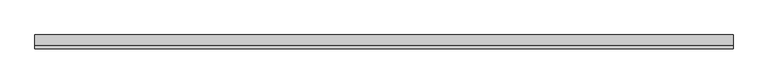
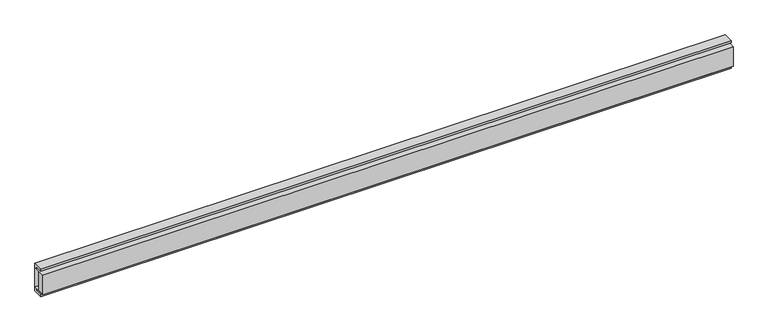
"""IFC4 building model written with IfcOpenShell, lengths in millimetres: plate geometry."""

import ifcopenshell
import ifcopenshell.guid

model = None  # the IFC model being written
_history = None  # IfcOwnerHistory: only IFC2X3 demands one
_inside = {}  # id of a spatial element -> (the spatial element, [elements in it])
_under = {}  # id of a project, library or spatial element -> (it, [spatial elements below it])
_declared = {}  # id of a project -> (the project, [libraries it declares])
_typed = {}  # id of a type object -> (the type object, [elements of that type])
_made_of = {}  # id of a material, layer set ... -> (it, [elements and type objects made of it])


def new_model(schema):
    """Start an empty IFC model of exactly this schema.

    Asked for "IFC4X3", IfcOpenShell would pick the latest addendum, in which some entities
    have other attributes; the version numbers below select the first issue.
    IFC2X3 requires an IfcOwnerHistory on every rooted entity: one is made here for all.
    """
    global model, _history
    if schema == "IFC4X3":
        model = ifcopenshell.file(schema_version=(4, 3, 0, 0))
    else:
        model = ifcopenshell.file(schema=schema)
    _inside.clear()
    _under.clear()
    _declared.clear()
    _typed.clear()
    _made_of.clear()
    _history = None
    if model.schema == "IFC2X3":
        org = make("IfcOrganization", Name="unknown")
        user = make(
            "IfcPersonAndOrganization",
            ThePerson=make("IfcPerson", FamilyName="unknown"),
            TheOrganization=org,
        )
        app = make(
            "IfcApplication",
            ApplicationDeveloper=org,
            Version="unknown",
            ApplicationFullName="unknown",
            ApplicationIdentifier="unknown",
        )
        _history = make(
            "IfcOwnerHistory",
            OwningUser=user,
            OwningApplication=app,
            ChangeAction="ADDED",
            CreationDate=0,
        )
    return model


def make(cls, **values):
    """One entity of the class cls with the attributes given. An attribute that is None is left unset."""
    return model.create_entity(
        cls, **{name: value for name, value in values.items() if value is not None}
    )


def rooted(cls, **values):
    """An entity with a GlobalId (a new one), such as an element, a storey or a relation."""
    return make(cls, GlobalId=ifcopenshell.guid.new(), OwnerHistory=_history, **values)


def si_unit(unit_type, name, prefix=None):
    """IfcSIUnit, for example si_unit("LENGTHUNIT", "METRE", prefix="MILLI")."""
    return make("IfcSIUnit", UnitType=unit_type, Prefix=prefix, Name=name)


def assignment(units):
    """IfcUnitAssignment: the units of a project."""
    return None if units is None else make("IfcUnitAssignment", Units=units)


def point(xyz):
    """IfcCartesianPoint."""
    return None if xyz is None else make("IfcCartesianPoint", Coordinates=xyz)


def direction(xyz):
    """IfcDirection."""
    return None if xyz is None else make("IfcDirection", DirectionRatios=xyz)


def frame(location, z_axis=None, x_axis=None):
    """IfcAxis2Placement3D, a coordinate frame: its origin and axes. An axis left out is left unset."""
    return make(
        "IfcAxis2Placement3D",
        Location=point(location),
        Axis=direction(z_axis),
        RefDirection=direction(x_axis),
    )


def origin():
    """The frame at (0, 0, 0) with its axes left unset."""
    return frame((0.0, 0.0, 0.0))


def place(relative_to, where):
    """IfcLocalPlacement: puts the frame where relative to a parent placement (None: the world)."""
    return make(
        "IfcLocalPlacement", PlacementRelTo=relative_to, RelativePlacement=where
    )


def context(
    kind, dimensions, precision=None, world=None, true_north=None, identifier=None
):
    """IfcGeometricRepresentationContext, for example the 3D "Model" context."""
    return make(
        "IfcGeometricRepresentationContext",
        ContextIdentifier=identifier,
        ContextType=kind,
        CoordinateSpaceDimension=dimensions,
        Precision=precision,
        WorldCoordinateSystem=world,
        TrueNorth=true_north,
    )


def project(units=None, contexts=None):
    """IfcProject with its units and contexts."""
    return rooted(
        "IfcProject",
        Name="project",
        RepresentationContexts=contexts,
        UnitsInContext=assignment(units),
    )


def spatial(cls, under=None, at=None, **own):
    """A site, building, storey or space (cls), placed at a placement, below another one or the project."""
    s = rooted(cls, ObjectPlacement=at, **own)
    if under is not None:
        _under.setdefault(under.id(), (under, []))[1].append(s)
    return s


def polyline(points):
    """IfcPolyline through the points."""
    return make("IfcPolyline", Points=[point(p) for p in points])


def outline(outer, holes=None, kind="AREA"):
    """IfcArbitraryClosedProfileDef: a profile drawn as a closed curve; with holes, ...WithVoids."""
    if holes is None:
        return make("IfcArbitraryClosedProfileDef", ProfileType=kind, OuterCurve=outer)
    return make(
        "IfcArbitraryProfileDefWithVoids",
        ProfileType=kind,
        OuterCurve=outer,
        InnerCurves=holes,
    )


def extrude(swept, where, along, depth):
    """IfcExtrudedAreaSolid: the profile swept, set in the frame where, extruded along a direction by depth."""
    return make(
        "IfcExtrudedAreaSolid",
        SweptArea=swept,
        Position=where,
        ExtrudedDirection=direction(along),
        Depth=depth,
    )


def shape(context_of_items, identifier, shape_type, items):
    """IfcShapeRepresentation: the items that make up one representation, for example the "Body"."""
    return make(
        "IfcShapeRepresentation",
        ContextOfItems=context_of_items,
        RepresentationIdentifier=identifier,
        RepresentationType=shape_type,
        Items=items,
    )


def source(mapping_origin, context_of_items, identifier, shape_type, items):
    """IfcRepresentationMap: a shape defined once, which mapped items show again and again."""
    return make(
        "IfcRepresentationMap",
        MappingOrigin=mapping_origin,
        MappedRepresentation=shape(context_of_items, identifier, shape_type, items),
    )


def transform(
    local_origin,
    x_axis=None,
    y_axis=None,
    z_axis=None,
    scale=None,
    scale2=None,
    scale3=None,
    uniform=True,
):
    """IfcCartesianTransformationOperator3D, or its non-uniform kind. x_axis, y_axis, z_axis: its Axis1, 2, 3."""
    if uniform:
        return make(
            "IfcCartesianTransformationOperator3D",
            Axis1=direction(x_axis),
            Axis2=direction(y_axis),
            LocalOrigin=point(local_origin),
            Scale=scale,
            Axis3=direction(z_axis),
        )
    return make(
        "IfcCartesianTransformationOperator3DnonUniform",
        Axis1=direction(x_axis),
        Axis2=direction(y_axis),
        LocalOrigin=point(local_origin),
        Scale=scale,
        Axis3=direction(z_axis),
        Scale2=scale2,
        Scale3=scale3,
    )


def mapped(mapping_source, mapping_target):
    """IfcMappedItem: shows the shape of a source again, moved by a transform."""
    return make(
        "IfcMappedItem", MappingSource=mapping_source, MappingTarget=mapping_target
    )


def made_of(thing, what):
    """Note that an element or type object is made of a material, layer set ...; save() writes the relation."""
    if what is not None:
        _made_of.setdefault(what.id(), (what, []))[1].append(thing)
    return thing


def element(
    cls,
    number,
    at=None,
    inside=None,
    cuts=None,
    type_object=None,
    material=None,
    context=None,
    identifier="Body",
    shape_type=None,
    held_by="IfcProductDefinitionShape",
    body=None,
    shapes=None,
    **own,
):
    """One element of the class cls, such as IfcWall. Its Tag is "e" and its number.

    at: its placement. inside: the storey or other place that contains it. cuts: it is an
    opening in that element (IfcRelVoidsElement). A single representation is given by context,
    identifier, shape_type and body (its items); several are given by shapes. held_by: the class
    of the entity that holds the representations. save() writes the other relations.
    """
    e = rooted(cls, Tag="e%d" % number, ObjectPlacement=at, **own)
    if body is not None:
        shapes = [shape(context, identifier, shape_type, body)]
    if shapes is not None:
        e.Representation = make(held_by, Representations=shapes)
    if inside is not None:
        _inside.setdefault(inside.id(), (inside, []))[1].append(e)
    if cuts is not None:
        rooted(
            "IfcRelVoidsElement", RelatingBuildingElement=cuts, RelatedOpeningElement=e
        )
    if type_object is not None:
        _typed.setdefault(type_object.id(), (type_object, []))[1].append(e)
    return made_of(e, material)


def aggregate(whole, parts):
    """IfcRelAggregates: a whole, such as a stair, and the parts it consists of."""
    return rooted("IfcRelAggregates", RelatingObject=whole, RelatedObjects=parts)


def save(model, path):
    """Write the relations noted so far, then the file.

    IfcRelAggregates (storeys below a building ...), IfcRelContainedInSpatialStructure (elements
    in a storey), IfcRelDefinesByType, IfcRelAssociatesMaterial and IfcRelDeclares: one each for
    every whole, place, type object, material and project.
    """
    for whole, parts in _under.values():
        aggregate(whole, parts)
    for where, things in _inside.values():
        rooted(
            "IfcRelContainedInSpatialStructure",
            RelatedElements=things,
            RelatingStructure=where,
        )
    for kind, things in _typed.values():
        rooted("IfcRelDefinesByType", RelatedObjects=things, RelatingType=kind)
    for what, things in _made_of.values():
        rooted("IfcRelAssociatesMaterial", RelatedObjects=things, RelatingMaterial=what)
    for by, libraries in _declared.values():
        rooted("IfcRelDeclares", RelatingContext=by, RelatedDefinitions=libraries)
    model.write(path)


def plate_55a9fac0(model_context):
    return source(origin(), model_context, "Body", "SweptSolid", [
        extrude(outline(polyline([(5000.0, -98.0), (5000.0, -196.0), (-5000.0, -196.0), (-5000.0, -98.0), (5000.0, -98.0)])), frame((0.0, 0.0, 2.0), z_axis=(0.0, 0.0, 1.0), x_axis=(1.0, 0.0, 0.0)), (0.0, 0.0, 1.0), 296.0),
        extrude(outline(polyline([(2.0, 360.0), (2.0, 300.0), (-28.0, 300.0), (-28.0, 330.0), (-148.0, 330.0), (-148.0, 360.0), (2.0, 360.0)])), frame((-5000.0, 0.0, 0.0), z_axis=(1.0, 0.0, 0.0), x_axis=(0.0, 1.0, 0.0)), (0.0, 0.0, 1.0), 10000.0),
        extrude(outline(polyline([(2.0, -60.0), (-148.0, -60.0), (-148.0, -30.0), (-28.0, -30.0), (-28.0, 0.0), (2.0, 0.0), (2.0, -60.0)])), frame((-5000.0, 0.0, 0.0), z_axis=(1.0, 0.0, 0.0), x_axis=(0.0, 1.0, 0.0)), (0.0, 0.0, 1.0), 10000.0),
        extrude(outline(polyline([(2.0, 300.0), (2.0, 0.0), (-198.0, 0.0), (-198.0, 300.0), (2.0, 300.0)]), holes=[polyline([(-196.0, 2.0), (0.0, 2.0), (0.0, 298.0), (-196.0, 298.0), (-196.0, 2.0)])]), frame((-5000.0, 0.0, 0.0), z_axis=(1.0, 0.0, 0.0), x_axis=(0.0, 1.0, 0.0)), (0.0, 0.0, 1.0), 10000.0),
    ])


if __name__ == "__main__":
    model = new_model("IFC4")
    model_context = context("Model", 3, world=origin())
    ifc_project = project(units=[si_unit("LENGTHUNIT", "METRE", prefix="MILLI")], contexts=[model_context])
    site = spatial("IfcSite", under=ifc_project)
    building = spatial("IfcBuilding", under=site)
    placement = place(None, origin())
    plate_shape = plate_55a9fac0(model_context)
    element("IfcPlate", 1, at=placement, inside=building, context=model_context, shape_type="MappedRepresentation", body=[
        mapped(plate_shape, transform((0.0, 0.0, 0.0), x_axis=(1.0, 0.0, 0.0), y_axis=(0.0, 1.0, 0.0), z_axis=(0.0, 0.0, 1.0))),
    ])
    save(model, "model.ifc")
